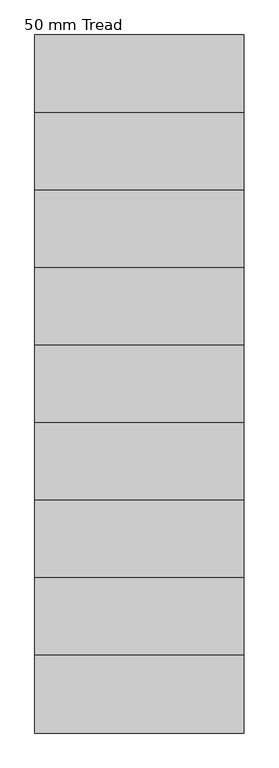
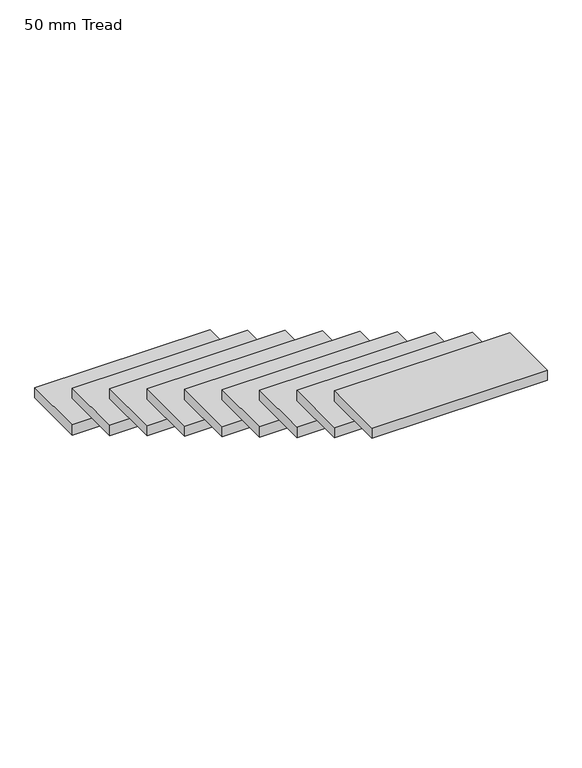
"""IFC4 building model written with IfcOpenShell, lengths in millimetres: stair flight geometry, 50 mm Tread."""

from ifc_helpers import new_model, si_unit, frame, origin, place, context, project, spatial, polyline, outline, extrude, source, transform, mapped, element, save


def stair_flight_50_mm_tread_90602832(model_context):
    return source(origin(), model_context, "Body", "SweptSolid", [
        extrude(outline(polyline([(1352.5483551, 5429.7049621), (542.5483551, 5429.7049621), (542.5483551, 5729.7049621), (1352.5483551, 5729.7049621), (1352.5483551, 5429.7049621)])), frame((0.0, 0.0, 2730.0), z_axis=(0.0, 0.0, 1.0), x_axis=(1.0, 0.0, 0.0)), (0.0, 0.0, 1.0), 50.0),
        extrude(outline(polyline([(1352.5483551, 5129.7049621), (542.5483551, 5129.7049621), (542.5483551, 5429.7049621), (1352.5483551, 5429.7049621), (1352.5483551, 5129.7049621)])), frame((0.0, 0.0, 2910.0), z_axis=(0.0, 0.0, 1.0), x_axis=(1.0, 0.0, 0.0)), (0.0, 0.0, 1.0), 50.0),
        extrude(outline(polyline([(1352.5483551, 4829.7049621), (542.5483551, 4829.7049621), (542.5483551, 5129.7049621), (1352.5483551, 5129.7049621), (1352.5483551, 4829.7049621)])), frame((0.0, 0.0, 3090.0), z_axis=(0.0, 0.0, 1.0), x_axis=(1.0, 0.0, 0.0)), (0.0, 0.0, 1.0), 50.0),
        extrude(outline(polyline([(1352.5483551, 4529.7049621), (542.5483551, 4529.7049621), (542.5483551, 4829.7049621), (1352.5483551, 4829.7049621), (1352.5483551, 4529.7049621)])), frame((0.0, 0.0, 3270.0), z_axis=(0.0, 0.0, 1.0), x_axis=(1.0, 0.0, 0.0)), (0.0, 0.0, 1.0), 50.0),
        extrude(outline(polyline([(1352.5483551, 4229.7049621), (542.5483551, 4229.7049621), (542.5483551, 4529.7049621), (1352.5483551, 4529.7049621), (1352.5483551, 4229.7049621)])), frame((0.0, 0.0, 3450.0), z_axis=(0.0, 0.0, 1.0), x_axis=(1.0, 0.0, 0.0)), (0.0, 0.0, 1.0), 50.0),
        extrude(outline(polyline([(1352.5483551, 3929.7049621), (542.5483551, 3929.7049621), (542.5483551, 4229.7049621), (1352.5483551, 4229.7049621), (1352.5483551, 3929.7049621)])), frame((0.0, 0.0, 3630.0), z_axis=(0.0, 0.0, 1.0), x_axis=(1.0, 0.0, 0.0)), (0.0, 0.0, 1.0), 50.0),
        extrude(outline(polyline([(1352.5483551, 3629.7049621), (542.5483551, 3629.7049621), (542.5483551, 3929.7049621), (1352.5483551, 3929.7049621), (1352.5483551, 3629.7049621)])), frame((0.0, 0.0, 3810.0), z_axis=(0.0, 0.0, 1.0), x_axis=(1.0, 0.0, 0.0)), (0.0, 0.0, 1.0), 50.0),
        extrude(outline(polyline([(1352.5483551, 3329.7049621), (542.5483551, 3329.7049621), (542.5483551, 3629.7049621), (1352.5483551, 3629.7049621), (1352.5483551, 3329.7049621)])), frame((0.0, 0.0, 3990.0), z_axis=(0.0, 0.0, 1.0), x_axis=(1.0, 0.0, 0.0)), (0.0, 0.0, 1.0), 50.0),
        extrude(outline(polyline([(1352.5483551, 3029.7049621), (542.5483551, 3029.7049621), (542.5483551, 3329.7049621), (1352.5483551, 3329.7049621), (1352.5483551, 3029.7049621)])), frame((0.0, 0.0, 4170.0), z_axis=(0.0, 0.0, 1.0), x_axis=(1.0, 0.0, 0.0)), (0.0, 0.0, 1.0), 50.0),
    ])


if __name__ == "__main__":
    model = new_model("IFC4")
    model_context = context("Model", 3, world=origin())
    ifc_project = project(units=[si_unit("LENGTHUNIT", "METRE", prefix="MILLI")], contexts=[model_context])
    site = spatial("IfcSite", under=ifc_project)
    building = spatial("IfcBuilding", under=site)
    placement = place(None, origin())
    stair_flight_50_mm_tread_shape = stair_flight_50_mm_tread_90602832(model_context)
    element("IfcStairFlight", 1, ObjectType="50 mm Tread", at=placement, inside=building, context=model_context, shape_type="MappedRepresentation", body=[
        mapped(stair_flight_50_mm_tread_shape, transform((0.0, 0.0, 0.0), x_axis=(1.0, 0.0, 0.0), y_axis=(0.0, 1.0, 0.0), z_axis=(0.0, 0.0, 1.0))),
    ])
    save(model, "model.ifc")
